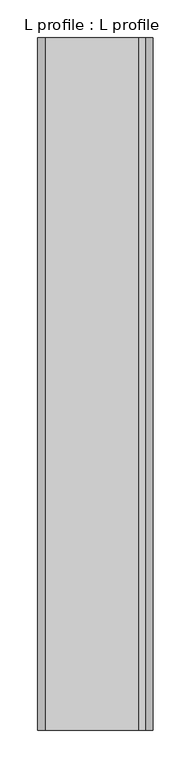
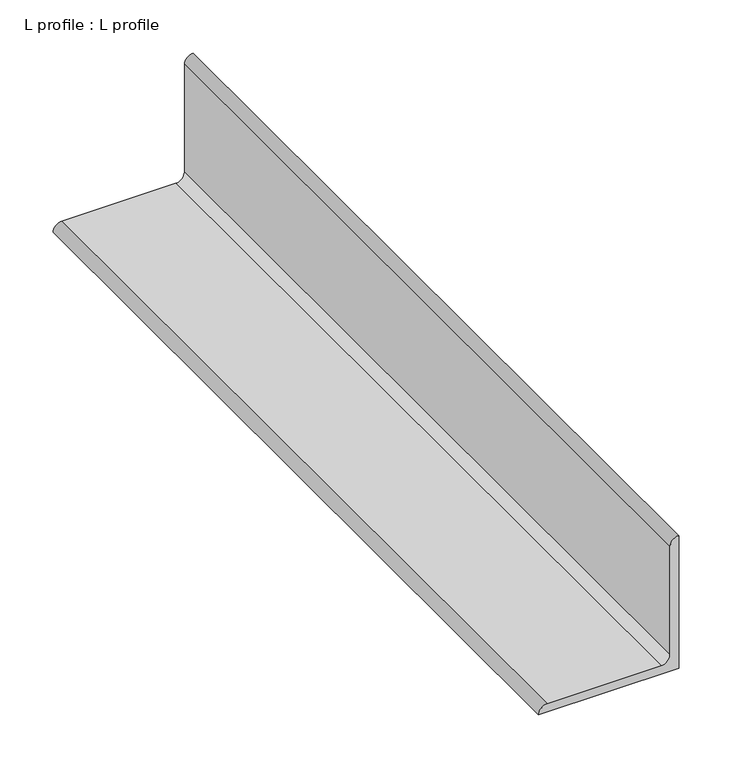
"""IFC4 building model written with IfcOpenShell, lengths in millimetres: proxy geometry, L profile : L profile."""

from ifc_helpers import new_model, si_unit, point, frame, frame_2d, origin, place, context, project, spatial, polyline, circle_curve, trimmed, segment, composite_curve, outline, extrude, source, transform, mapped, element, save


def l_profile_l_profile_d413619b(model_context):
    return source(origin(), model_context, "Body", "SweptSolid", [
        extrude(outline(composite_curve([segment(polyline([(2597.15, 36984.1313248), (2749.55, 36984.1313248)]), True, "CONTINUOUS"), segment(trimmed(circle_curve(frame_2d((2740.025, 36984.1313248)), 9.525), [point((2749.55, 36984.1313248))], [point((2740.025, 36974.6063248))], False, "CARTESIAN"), True, "CONTINUOUS"), segment(polyline([(2740.025, 36974.6063248), (2616.2, 36974.6063248)]), True, "CONTINUOUS"), segment(trimmed(circle_curve(frame_2d((2616.2, 36965.0813248)), 9.525), [point((2616.2, 36974.6063248))], [point((2606.675, 36965.0813248))], True, "CARTESIAN"), True, "CONTINUOUS"), segment(polyline([(2606.675, 36965.0813248), (2606.675, 36841.2563248)]), True, "CONTINUOUS"), segment(trimmed(circle_curve(frame_2d((2597.15, 36841.2563248)), 9.525), [point((2606.675, 36841.2563248))], [point((2597.15, 36831.7313248))], False, "CARTESIAN"), True, "CONTINUOUS"), segment(polyline([(2597.15, 36831.7313248), (2597.15, 36984.1313248)]), True, "CONTINUOUS")], self_intersect=False)), frame((0.0, -25196.3529946, 0.0), z_axis=(0.0, 1.0, 0.0), x_axis=(0.0, 0.0, 1.0)), (0.0, 0.0, 1.0), 914.4),
    ])


if __name__ == "__main__":
    model = new_model("IFC4")
    model_context = context("Model", 3, world=origin())
    ifc_project = project(units=[si_unit("LENGTHUNIT", "METRE", prefix="MILLI")], contexts=[model_context])
    site = spatial("IfcSite", under=ifc_project)
    building = spatial("IfcBuilding", under=site)
    placement = place(None, origin())
    l_profile_l_profile_shape = l_profile_l_profile_d413619b(model_context)
    element("IfcBuildingElementProxy", 1, Name="L profile : L profile", ObjectType="L profile : L profile", at=placement, inside=building, context=model_context, shape_type="MappedRepresentation", body=[
        mapped(l_profile_l_profile_shape, transform((0.0, 0.0, 0.0), x_axis=(1.0, 0.0, 0.0), y_axis=(0.0, 1.0, 0.0), z_axis=(0.0, 0.0, 1.0))),
    ])
    save(model, "model.ifc")
